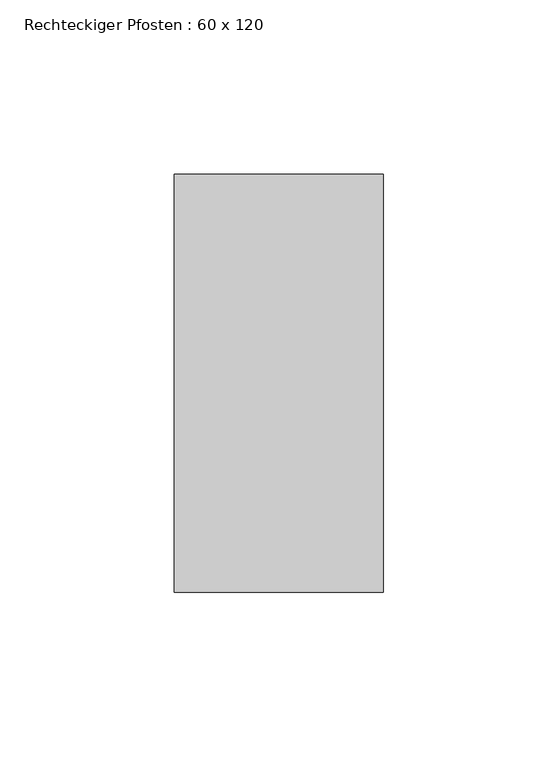
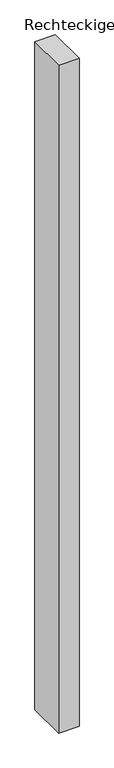
"""IFC4 building model written with IfcOpenShell, lengths in millimetres: member geometry, Rechteckiger Pfosten : 60 x 120."""

import ifcopenshell
import ifcopenshell.guid

model = None  # the IFC model being written
_history = None  # IfcOwnerHistory: only IFC2X3 demands one
_inside = {}  # id of a spatial element -> (the spatial element, [elements in it])
_under = {}  # id of a project, library or spatial element -> (it, [spatial elements below it])
_declared = {}  # id of a project -> (the project, [libraries it declares])
_typed = {}  # id of a type object -> (the type object, [elements of that type])
_made_of = {}  # id of a material, layer set ... -> (it, [elements and type objects made of it])


def new_model(schema):
    """Start an empty IFC model of exactly this schema.

    Asked for "IFC4X3", IfcOpenShell would pick the latest addendum, in which some entities
    have other attributes; the version numbers below select the first issue.
    IFC2X3 requires an IfcOwnerHistory on every rooted entity: one is made here for all.
    """
    global model, _history
    if schema == "IFC4X3":
        model = ifcopenshell.file(schema_version=(4, 3, 0, 0))
    else:
        model = ifcopenshell.file(schema=schema)
    _inside.clear()
    _under.clear()
    _declared.clear()
    _typed.clear()
    _made_of.clear()
    _history = None
    if model.schema == "IFC2X3":
        org = make("IfcOrganization", Name="unknown")
        user = make(
            "IfcPersonAndOrganization",
            ThePerson=make("IfcPerson", FamilyName="unknown"),
            TheOrganization=org,
        )
        app = make(
            "IfcApplication",
            ApplicationDeveloper=org,
            Version="unknown",
            ApplicationFullName="unknown",
            ApplicationIdentifier="unknown",
        )
        _history = make(
            "IfcOwnerHistory",
            OwningUser=user,
            OwningApplication=app,
            ChangeAction="ADDED",
            CreationDate=0,
        )
    return model


def make(cls, **values):
    """One entity of the class cls with the attributes given. An attribute that is None is left unset."""
    return model.create_entity(
        cls, **{name: value for name, value in values.items() if value is not None}
    )


def rooted(cls, **values):
    """An entity with a GlobalId (a new one), such as an element, a storey or a relation."""
    return make(cls, GlobalId=ifcopenshell.guid.new(), OwnerHistory=_history, **values)


def si_unit(unit_type, name, prefix=None):
    """IfcSIUnit, for example si_unit("LENGTHUNIT", "METRE", prefix="MILLI")."""
    return make("IfcSIUnit", UnitType=unit_type, Prefix=prefix, Name=name)


def assignment(units):
    """IfcUnitAssignment: the units of a project."""
    return None if units is None else make("IfcUnitAssignment", Units=units)


def point(xyz):
    """IfcCartesianPoint."""
    return None if xyz is None else make("IfcCartesianPoint", Coordinates=xyz)


def direction(xyz):
    """IfcDirection."""
    return None if xyz is None else make("IfcDirection", DirectionRatios=xyz)


def frame(location, z_axis=None, x_axis=None):
    """IfcAxis2Placement3D, a coordinate frame: its origin and axes. An axis left out is left unset."""
    return make(
        "IfcAxis2Placement3D",
        Location=point(location),
        Axis=direction(z_axis),
        RefDirection=direction(x_axis),
    )


def origin():
    """The frame at (0, 0, 0) with its axes left unset."""
    return frame((0.0, 0.0, 0.0))


def place(relative_to, where):
    """IfcLocalPlacement: puts the frame where relative to a parent placement (None: the world)."""
    return make(
        "IfcLocalPlacement", PlacementRelTo=relative_to, RelativePlacement=where
    )


def context(
    kind, dimensions, precision=None, world=None, true_north=None, identifier=None
):
    """IfcGeometricRepresentationContext, for example the 3D "Model" context."""
    return make(
        "IfcGeometricRepresentationContext",
        ContextIdentifier=identifier,
        ContextType=kind,
        CoordinateSpaceDimension=dimensions,
        Precision=precision,
        WorldCoordinateSystem=world,
        TrueNorth=true_north,
    )


def project(units=None, contexts=None):
    """IfcProject with its units and contexts."""
    return rooted(
        "IfcProject",
        Name="project",
        RepresentationContexts=contexts,
        UnitsInContext=assignment(units),
    )


def spatial(cls, under=None, at=None, **own):
    """A site, building, storey or space (cls), placed at a placement, below another one or the project."""
    s = rooted(cls, ObjectPlacement=at, **own)
    if under is not None:
        _under.setdefault(under.id(), (under, []))[1].append(s)
    return s


def polyline(points):
    """IfcPolyline through the points."""
    return make("IfcPolyline", Points=[point(p) for p in points])


def outline(outer, holes=None, kind="AREA"):
    """IfcArbitraryClosedProfileDef: a profile drawn as a closed curve; with holes, ...WithVoids."""
    if holes is None:
        return make("IfcArbitraryClosedProfileDef", ProfileType=kind, OuterCurve=outer)
    return make(
        "IfcArbitraryProfileDefWithVoids",
        ProfileType=kind,
        OuterCurve=outer,
        InnerCurves=holes,
    )


def extrude(swept, where, along, depth):
    """IfcExtrudedAreaSolid: the profile swept, set in the frame where, extruded along a direction by depth."""
    return make(
        "IfcExtrudedAreaSolid",
        SweptArea=swept,
        Position=where,
        ExtrudedDirection=direction(along),
        Depth=depth,
    )


def shape(context_of_items, identifier, shape_type, items):
    """IfcShapeRepresentation: the items that make up one representation, for example the "Body"."""
    return make(
        "IfcShapeRepresentation",
        ContextOfItems=context_of_items,
        RepresentationIdentifier=identifier,
        RepresentationType=shape_type,
        Items=items,
    )


def source(mapping_origin, context_of_items, identifier, shape_type, items):
    """IfcRepresentationMap: a shape defined once, which mapped items show again and again."""
    return make(
        "IfcRepresentationMap",
        MappingOrigin=mapping_origin,
        MappedRepresentation=shape(context_of_items, identifier, shape_type, items),
    )


def transform(
    local_origin,
    x_axis=None,
    y_axis=None,
    z_axis=None,
    scale=None,
    scale2=None,
    scale3=None,
    uniform=True,
):
    """IfcCartesianTransformationOperator3D, or its non-uniform kind. x_axis, y_axis, z_axis: its Axis1, 2, 3."""
    if uniform:
        return make(
            "IfcCartesianTransformationOperator3D",
            Axis1=direction(x_axis),
            Axis2=direction(y_axis),
            LocalOrigin=point(local_origin),
            Scale=scale,
            Axis3=direction(z_axis),
        )
    return make(
        "IfcCartesianTransformationOperator3DnonUniform",
        Axis1=direction(x_axis),
        Axis2=direction(y_axis),
        LocalOrigin=point(local_origin),
        Scale=scale,
        Axis3=direction(z_axis),
        Scale2=scale2,
        Scale3=scale3,
    )


def mapped(mapping_source, mapping_target):
    """IfcMappedItem: shows the shape of a source again, moved by a transform."""
    return make(
        "IfcMappedItem", MappingSource=mapping_source, MappingTarget=mapping_target
    )


def made_of(thing, what):
    """Note that an element or type object is made of a material, layer set ...; save() writes the relation."""
    if what is not None:
        _made_of.setdefault(what.id(), (what, []))[1].append(thing)
    return thing


def element(
    cls,
    number,
    at=None,
    inside=None,
    cuts=None,
    type_object=None,
    material=None,
    context=None,
    identifier="Body",
    shape_type=None,
    held_by="IfcProductDefinitionShape",
    body=None,
    shapes=None,
    **own,
):
    """One element of the class cls, such as IfcWall. Its Tag is "e" and its number.

    at: its placement. inside: the storey or other place that contains it. cuts: it is an
    opening in that element (IfcRelVoidsElement). A single representation is given by context,
    identifier, shape_type and body (its items); several are given by shapes. held_by: the class
    of the entity that holds the representations. save() writes the other relations.
    """
    e = rooted(cls, Tag="e%d" % number, ObjectPlacement=at, **own)
    if body is not None:
        shapes = [shape(context, identifier, shape_type, body)]
    if shapes is not None:
        e.Representation = make(held_by, Representations=shapes)
    if inside is not None:
        _inside.setdefault(inside.id(), (inside, []))[1].append(e)
    if cuts is not None:
        rooted(
            "IfcRelVoidsElement", RelatingBuildingElement=cuts, RelatedOpeningElement=e
        )
    if type_object is not None:
        _typed.setdefault(type_object.id(), (type_object, []))[1].append(e)
    return made_of(e, material)


def aggregate(whole, parts):
    """IfcRelAggregates: a whole, such as a stair, and the parts it consists of."""
    return rooted("IfcRelAggregates", RelatingObject=whole, RelatedObjects=parts)


def save(model, path):
    """Write the relations noted so far, then the file.

    IfcRelAggregates (storeys below a building ...), IfcRelContainedInSpatialStructure (elements
    in a storey), IfcRelDefinesByType, IfcRelAssociatesMaterial and IfcRelDeclares: one each for
    every whole, place, type object, material and project.
    """
    for whole, parts in _under.values():
        aggregate(whole, parts)
    for where, things in _inside.values():
        rooted(
            "IfcRelContainedInSpatialStructure",
            RelatedElements=things,
            RelatingStructure=where,
        )
    for kind, things in _typed.values():
        rooted("IfcRelDefinesByType", RelatedObjects=things, RelatingType=kind)
    for what, things in _made_of.values():
        rooted("IfcRelAssociatesMaterial", RelatedObjects=things, RelatingMaterial=what)
    for by, libraries in _declared.values():
        rooted("IfcRelDeclares", RelatingContext=by, RelatedDefinitions=libraries)
    model.write(path)


def rechteckiger_pfosten_60_x_120_c875438f(model_context):
    return source(origin(), model_context, "Body", "SweptSolid", [
        extrude(outline(polyline([(30.0, 60.0), (30.0, -60.0), (-30.0, -60.0), (-30.0, 60.0), (30.0, 60.0)])), frame((0.0, 0.0, -2070.0), z_axis=(0.0, 0.0, 1.0), x_axis=(1.0, 0.0, 0.0)), (0.0, 0.0, 1.0), 2070.0),
    ])


if __name__ == "__main__":
    model = new_model("IFC4")
    model_context = context("Model", 3, world=origin())
    ifc_project = project(units=[si_unit("LENGTHUNIT", "METRE", prefix="MILLI")], contexts=[model_context])
    site = spatial("IfcSite", under=ifc_project)
    building = spatial("IfcBuilding", under=site)
    placement = place(None, origin())
    rechteckiger_pfosten_60_x_120_shape = rechteckiger_pfosten_60_x_120_c875438f(model_context)
    element("IfcMember", 1, ObjectType="Rechteckiger Pfosten : 60 x 120", at=placement, inside=building, context=model_context, shape_type="MappedRepresentation", body=[
        mapped(rechteckiger_pfosten_60_x_120_shape, transform((0.0, 0.0, 0.0), x_axis=(1.0, 0.0, 0.0), y_axis=(0.0, 1.0, 0.0), z_axis=(0.0, 0.0, 1.0))),
    ])
    save(model, "model.ifc")
